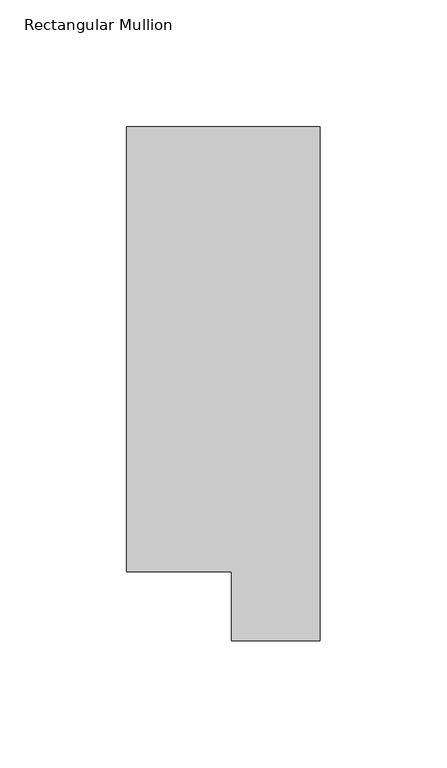
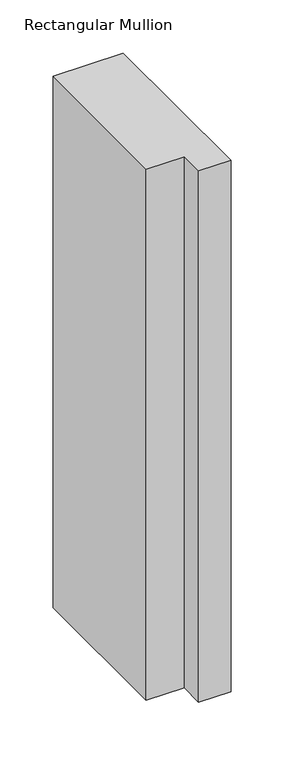
"""IFC4 building model written with IfcOpenShell, lengths in millimetres: member geometry, Rectangular Mullion."""

from ifc_helpers import new_model, si_unit, frame, origin, place, context, project, spatial, polyline, outline, extrude, source, transform, mapped, element, save


def rectangular_mullion_bdee339a(model_context):
    return source(origin(), model_context, "Body", "SweptSolid", [
        extrude(outline(polyline([(0.0, 222.0301312), (0.0, 19.5667312), (-34.9123, 19.5667312), (-34.9123, 46.7447302), (-76.2, 46.7447302), (-76.2, 222.0301312), (0.0, 222.0301312)])), frame((0.0, 0.0, -609.6), z_axis=(0.0, 0.0, 1.0), x_axis=(1.0, 0.0, 0.0)), (0.0, 0.0, 1.0), 609.6),
    ])


if __name__ == "__main__":
    model = new_model("IFC4")
    model_context = context("Model", 3, world=origin())
    ifc_project = project(units=[si_unit("LENGTHUNIT", "METRE", prefix="MILLI")], contexts=[model_context])
    site = spatial("IfcSite", under=ifc_project)
    building = spatial("IfcBuilding", under=site)
    placement = place(None, origin())
    rectangular_mullion_shape = rectangular_mullion_bdee339a(model_context)
    element("IfcMember", 1, ObjectType="Rectangular Mullion", at=placement, inside=building, context=model_context, shape_type="MappedRepresentation", body=[
        mapped(rectangular_mullion_shape, transform((0.0, 0.0, 0.0), x_axis=(1.0, 0.0, 0.0), y_axis=(0.0, 1.0, 0.0), z_axis=(0.0, 0.0, 1.0))),
    ])
    save(model, "model.ifc")
